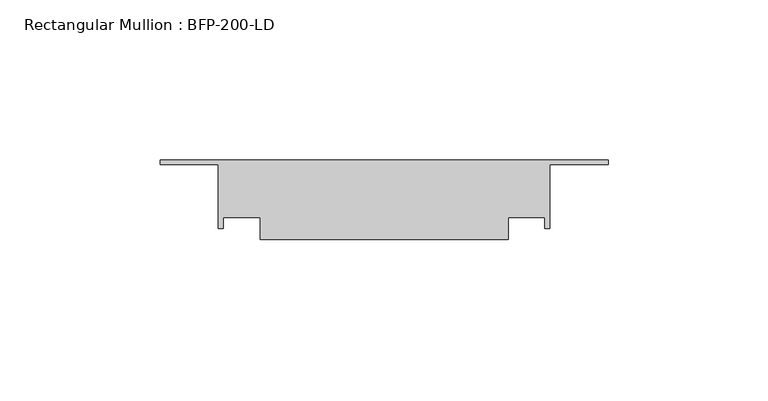
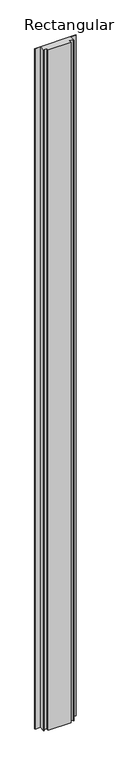
"""IFC4 building model written with IfcOpenShell, lengths in millimetres: member geometry, Rectangular Mullion : BFP-200-LD."""

from ifc_helpers import new_model, si_unit, frame, origin, place, context, project, spatial, polyline, outline, extrude, source, transform, mapped, element, save


def rectangular_mullion_bfp_200_ld_c96eeacf(model_context):
    return source(origin(), model_context, "Body", "SweptSolid", [
        extrude(outline(polyline([(-31.25, -45.0), (-108.75, -45.0), (-108.75, -38.0), (-120.25, -38.0), (-120.25, -41.5), (-121.75, -41.5), (-121.75, -21.5), (-140.0, -21.5), (-140.0, -20.0), (0.0, -20.0), (0.0, -21.5), (-18.25, -21.5), (-18.25, -41.5), (-19.75, -41.5), (-19.75, -38.0), (-31.25, -38.0), (-31.25, -45.0)])), frame((0.0, 0.0, -2450.0), z_axis=(0.0, 0.0, 1.0), x_axis=(1.0, 0.0, 0.0)), (0.0, 0.0, 1.0), 2450.0),
    ])


if __name__ == "__main__":
    model = new_model("IFC4")
    model_context = context("Model", 3, world=origin())
    ifc_project = project(units=[si_unit("LENGTHUNIT", "METRE", prefix="MILLI")], contexts=[model_context])
    site = spatial("IfcSite", under=ifc_project)
    building = spatial("IfcBuilding", under=site)
    placement = place(None, origin())
    rectangular_mullion_bfp_200_ld_shape = rectangular_mullion_bfp_200_ld_c96eeacf(model_context)
    element("IfcMember", 1, ObjectType="Rectangular Mullion : BFP-200-LD", at=placement, inside=building, context=model_context, shape_type="MappedRepresentation", body=[
        mapped(rectangular_mullion_bfp_200_ld_shape, transform((0.0, 0.0, 0.0), x_axis=(1.0, 0.0, 0.0), y_axis=(0.0, 1.0, 0.0), z_axis=(0.0, 0.0, 1.0))),
    ])
    save(model, "model.ifc")
